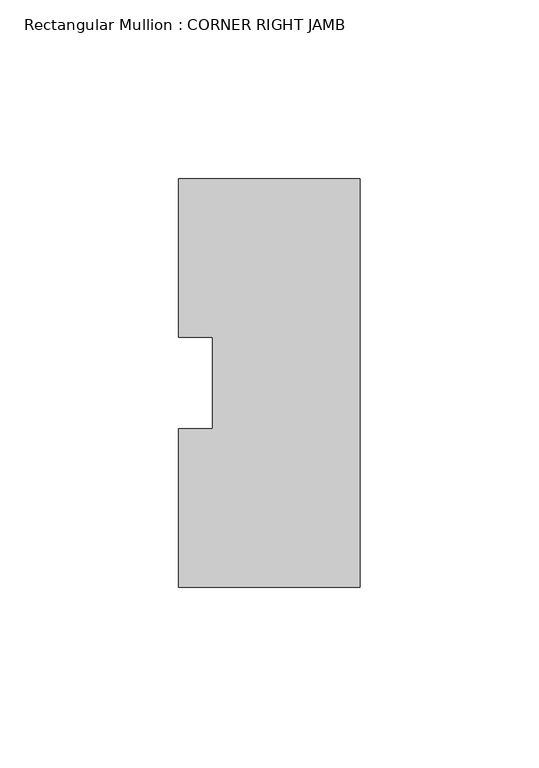
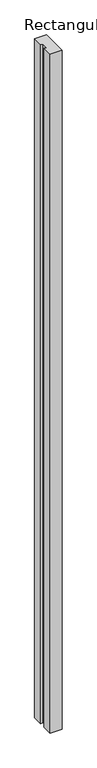
"""IFC4 building model written with IfcOpenShell, lengths in millimetres: member geometry, Rectangular Mullion : CORNER RIGHT JAMB."""

from ifc_helpers import new_model, si_unit, frame, origin, place, context, project, spatial, polyline, outline, extrude, source, transform, mapped, element, save


def rectangular_mullion_corner_right_jamb_f4ffd119(model_context):
    return source(origin(), model_context, "Body", "SweptSolid", [
        extrude(outline(polyline([(0.0, -44.64685), (-50.8, -44.64685), (-50.8, -0.2295457), (-41.275, -0.2295457), (-41.275, 25.2581526), (-50.8, 25.2581526), (-50.8, 69.65315), (0.0, 69.666231), (0.0, -44.64685)])), frame((0.0, 0.0, -3048.0), z_axis=(0.0, 0.0, 1.0), x_axis=(1.0, 0.0, 0.0)), (0.0, 0.0, 1.0), 3048.0),
    ])


if __name__ == "__main__":
    model = new_model("IFC4")
    model_context = context("Model", 3, world=origin())
    ifc_project = project(units=[si_unit("LENGTHUNIT", "METRE", prefix="MILLI")], contexts=[model_context])
    site = spatial("IfcSite", under=ifc_project)
    building = spatial("IfcBuilding", under=site)
    placement = place(None, origin())
    rectangular_mullion_corner_right_jamb_shape = rectangular_mullion_corner_right_jamb_f4ffd119(model_context)
    element("IfcMember", 1, ObjectType="Rectangular Mullion : CORNER RIGHT JAMB", at=placement, inside=building, context=model_context, shape_type="MappedRepresentation", body=[
        mapped(rectangular_mullion_corner_right_jamb_shape, transform((0.0, 0.0, 0.0), x_axis=(1.0, 0.0, 0.0), y_axis=(0.0, 1.0, 0.0), z_axis=(0.0, 0.0, 1.0))),
    ])
    save(model, "model.ifc")
